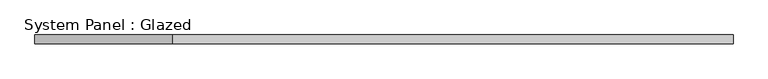
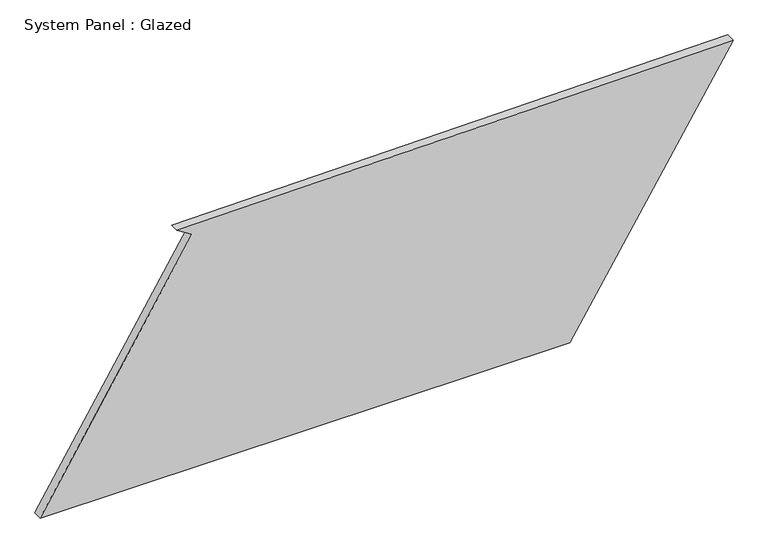
"""IFC4 building model written with IfcOpenShell, lengths in millimetres: plate geometry, System Panel : Glazed."""

from ifc_helpers import new_model, si_unit, frame, origin, place, context, project, spatial, polyline, outline, extrude, source, transform, mapped, element, save


def system_panel_glazed_ae96d83f(model_context):
    return source(origin(), model_context, "Body", "SweptSolid", [
        extrude(outline(polyline([(0.0, -968.5547078), (0.0, 512.204283), (734.2575095, 968.5547078), (716.4512795, -586.5299254), (690.2535385, -543.9426226), (0.0, -968.5547078)])), frame((0.0, -49.5, 0.0), z_axis=(0.0, 1.0, 0.0), x_axis=(0.0, 0.0, 1.0)), (0.0, 0.0, 1.0), 25.0),
    ])


if __name__ == "__main__":
    model = new_model("IFC4")
    model_context = context("Model", 3, world=origin())
    ifc_project = project(units=[si_unit("LENGTHUNIT", "METRE", prefix="MILLI")], contexts=[model_context])
    site = spatial("IfcSite", under=ifc_project)
    building = spatial("IfcBuilding", under=site)
    placement = place(None, origin())
    system_panel_glazed_shape = system_panel_glazed_ae96d83f(model_context)
    element("IfcPlate", 1, ObjectType="System Panel : Glazed", at=placement, inside=building, context=model_context, shape_type="MappedRepresentation", body=[
        mapped(system_panel_glazed_shape, transform((0.0, 0.0, 0.0), x_axis=(1.0, 0.0, 0.0), y_axis=(0.0, 1.0, 0.0), z_axis=(0.0, 0.0, 1.0))),
    ])
    save(model, "model.ifc")
